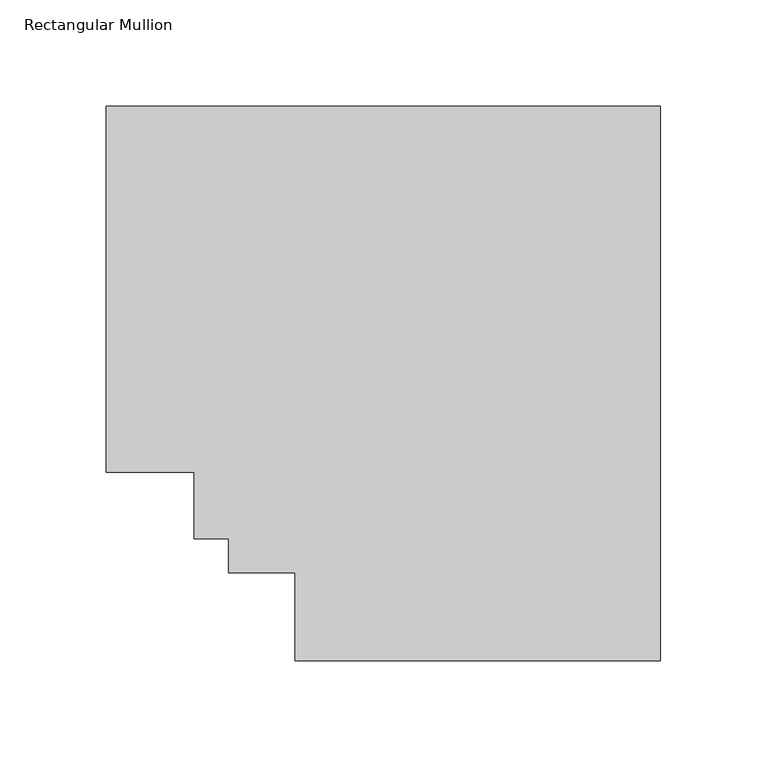
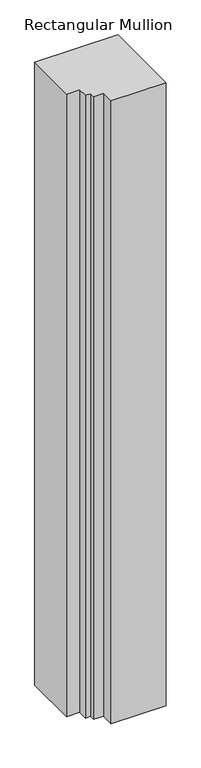
"""IFC4 building model written with IfcOpenShell, lengths in millimetres: member geometry, Rectangular Mullion."""

from ifc_helpers import new_model, si_unit, frame, origin, place, context, project, spatial, polyline, outline, extrude, source, transform, mapped, element, save


def rectangular_mullion_6373c260(model_context):
    return source(origin(), model_context, "Body", "SweptSolid", [
        extrude(outline(polyline([(0.0, 222.5381312), (0.0, -37.7563298), (-171.7178533, -37.7563298), (-171.7178533, 3.5059706), (-202.9598533, 3.5059706), (-202.9598533, 19.578278), (-219.0321606, 19.578278), (-219.0321606, 50.820278), (-260.294461, 50.820278), (-260.294461, 222.5381312), (0.0, 222.5381312)])), frame((0.0, 0.0, -2057.3999999), z_axis=(0.0, 0.0, 1.0), x_axis=(1.0, 0.0, 0.0)), (0.0, 0.0, 1.0), 2057.3999999),
    ])


if __name__ == "__main__":
    model = new_model("IFC4")
    model_context = context("Model", 3, world=origin())
    ifc_project = project(units=[si_unit("LENGTHUNIT", "METRE", prefix="MILLI")], contexts=[model_context])
    site = spatial("IfcSite", under=ifc_project)
    building = spatial("IfcBuilding", under=site)
    placement = place(None, origin())
    rectangular_mullion_shape = rectangular_mullion_6373c260(model_context)
    element("IfcMember", 1, ObjectType="Rectangular Mullion", at=placement, inside=building, context=model_context, shape_type="MappedRepresentation", body=[
        mapped(rectangular_mullion_shape, transform((0.0, 0.0, 0.0), x_axis=(1.0, 0.0, 0.0), y_axis=(0.0, 1.0, 0.0), z_axis=(0.0, 0.0, 1.0))),
    ])
    save(model, "model.ifc")
